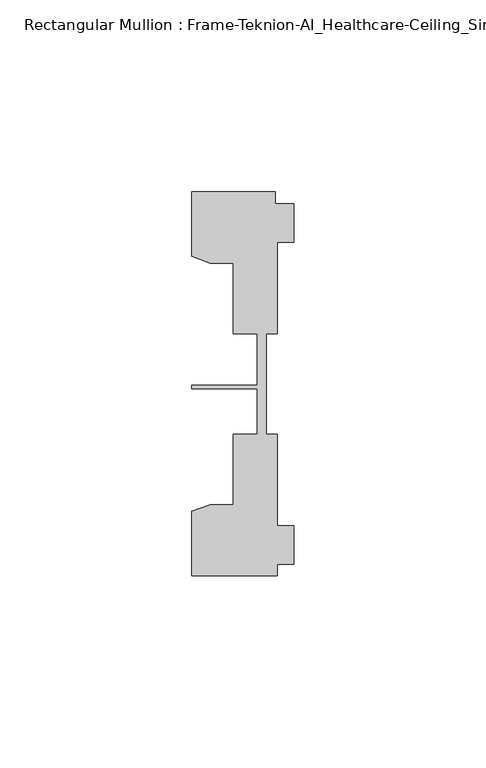
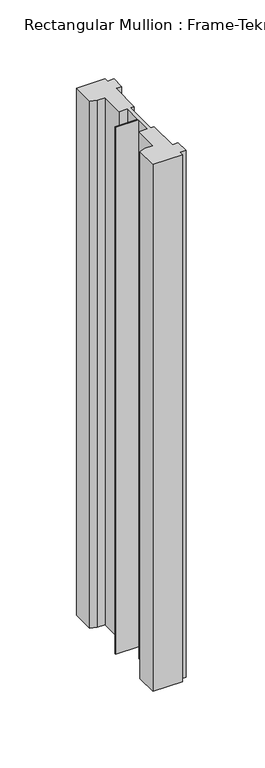
"""IFC4 building model written with IfcOpenShell, lengths in millimetres: member geometry, Rectangular Mullion : Frame-Teknion-AI_Healthcare-Ceiling_Single_Channel."""

from ifc_helpers import new_model, si_unit, frame, origin, place, context, project, spatial, polyline, outline, extrude, source, transform, mapped, element, save


def rectangular_mullion_frame_teknion_ai_healthcare_ceiling_1a0ccc2c(model_context):
    return source(origin(), model_context, "Body", "SweptSolid", [
        extrude(outline(polyline([(-26.4921999, 34.0201677), (-26.4921999, 50.8315128), (-4.7752002, 50.8315128), (-4.7752002, 47.782071), (0.0, 47.782071), (0.0, 37.7820716), (-4.2672007, 37.7820716), (-4.2672007, 13.9110722), (-7.1647766, 13.9110722), (-7.1647766, 0.0814804), (-7.1647766, -12.2509301), (-4.2672007, -12.2509301), (-4.2672007, -36.1219249), (0.0, -36.1219249), (0.0, -46.1219322), (-4.2672007, -46.1219322), (-4.2672007, -49.1699293), (-26.4921999, -49.1699293), (-26.4921999, -32.3600207), (-21.6625199, -30.6279561), (-15.6737764, -30.6279561), (-15.6737764, -12.2509301), (-9.4507761, -12.2509301), (-9.4507761, -0.4036528), (-26.4921999, -0.4036528), (-26.4921999, 0.4036528), (-9.4507761, 0.4036528), (-9.4507761, 13.9110722), (-15.6737764, 13.9110722), (-15.6737764, 32.2880982), (-21.6625199, 32.2880982), (-26.4921999, 34.0201677)])), frame((0.0, 0.0, -419.7831969), z_axis=(0.0, 0.0, 1.0), x_axis=(1.0, 0.0, 0.0)), (0.0, 0.0, 1.0), 419.7831969),
    ])


if __name__ == "__main__":
    model = new_model("IFC4")
    model_context = context("Model", 3, world=origin())
    ifc_project = project(units=[si_unit("LENGTHUNIT", "METRE", prefix="MILLI")], contexts=[model_context])
    site = spatial("IfcSite", under=ifc_project)
    building = spatial("IfcBuilding", under=site)
    placement = place(None, origin())
    rectangular_mullion_frame_teknion_ai_healthcare_ceiling_shape = rectangular_mullion_frame_teknion_ai_healthcare_ceiling_1a0ccc2c(model_context)
    element("IfcMember", 1, ObjectType="Rectangular Mullion : Frame-Teknion-AI_Healthcare-Ceiling_Single_Channel", at=placement, inside=building, context=model_context, shape_type="MappedRepresentation", body=[
        mapped(rectangular_mullion_frame_teknion_ai_healthcare_ceiling_shape, transform((0.0, 0.0, 0.0), x_axis=(1.0, 0.0, 0.0), y_axis=(0.0, 1.0, 0.0), z_axis=(0.0, 0.0, 1.0))),
    ])
    save(model, "model.ifc")
